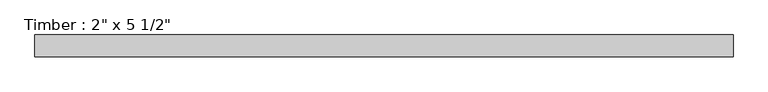
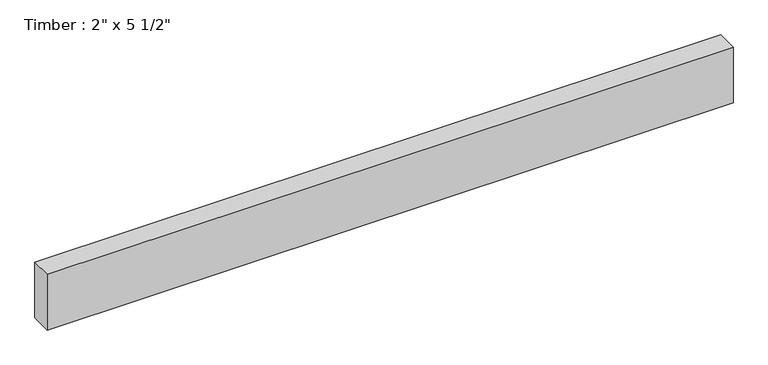
"""IFC4 building model written with IfcOpenShell, lengths in millimetres: beam geometry."""

from ifc_helpers import new_model, si_unit, frame, origin, place, context, project, spatial, polyline, outline, extrude, source, transform, mapped, element, save


def beam_57fee760(model_context):
    return source(origin(), model_context, "Body", "SweptSolid", [
        extrude(outline(polyline([(809.79954, 25.4), (809.79954, -25.4), (-815.0568727, -25.4), (-815.0568727, 25.4), (809.79954, 25.4)])), frame((0.0, 0.0, -69.85), z_axis=(0.0, 0.0, 1.0), x_axis=(1.0, 0.0, 0.0)), (0.0, 0.0, 1.0), 139.7),
    ])


if __name__ == "__main__":
    model = new_model("IFC4")
    model_context = context("Model", 3, world=origin())
    ifc_project = project(units=[si_unit("LENGTHUNIT", "METRE", prefix="MILLI")], contexts=[model_context])
    site = spatial("IfcSite", under=ifc_project)
    building = spatial("IfcBuilding", under=site)
    placement = place(None, origin())
    beam_shape = beam_57fee760(model_context)
    element("IfcBeam", 1, ObjectType="Timber : 2\" x 5 1/2\"", at=placement, inside=building, context=model_context, shape_type="MappedRepresentation", body=[
        mapped(beam_shape, transform((0.0, 0.0, 0.0), x_axis=(1.0, 0.0, 0.0), y_axis=(0.0, 1.0, 0.0), z_axis=(0.0, 0.0, 1.0))),
    ])
    save(model, "model.ifc")
